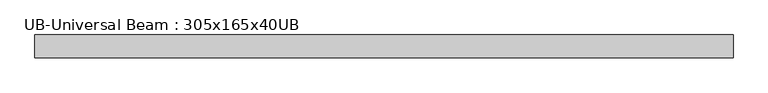
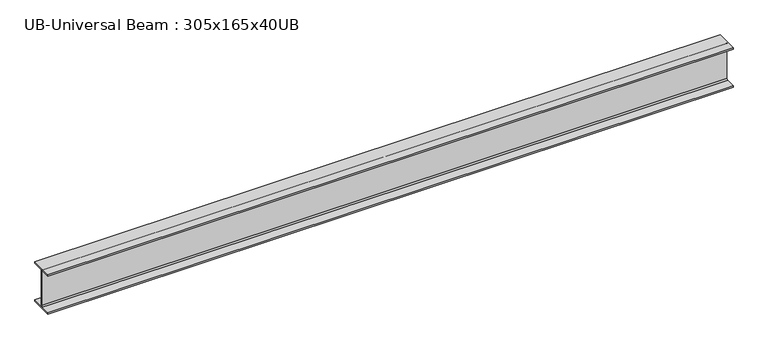
"""IFC4 building model written with IfcOpenShell, lengths in millimetres: beam geometry, UB-Universal Beam : 305x165x40UB."""

from ifc_helpers import new_model, si_unit, point, frame, frame_2d, origin, place, context, project, spatial, polyline, circle_curve, trimmed, segment, composite_curve, outline, extrude, source, transform, mapped, element, save


def ub_universal_beam_305x165x40ub_259e8277(model_context):
    return source(origin(), model_context, "Body", "SweptSolid", [
        extrude(outline(composite_curve([segment(polyline([(82.5, -141.5), (82.5, -151.7), (-82.5, -151.7), (-82.5, -141.5), (-11.9, -141.5)]), True, "CONTINUOUS"), segment(trimmed(circle_curve(frame_2d((-11.9, -132.6)), 8.9), [point((-11.9, -141.5))], [point((-3.0, -132.6))], True, "CARTESIAN"), True, "CONTINUOUS"), segment(polyline([(-3.0, -132.6), (-3.0, 132.6)]), True, "CONTINUOUS"), segment(trimmed(circle_curve(frame_2d((-11.9, 132.6)), 8.9), [point((-3.0, 132.6))], [point((-11.9, 141.5))], True, "CARTESIAN"), True, "CONTINUOUS"), segment(polyline([(-11.9, 141.5), (-82.5, 141.5), (-82.5, 151.7), (82.5, 151.7), (82.5, 141.5), (11.9, 141.5)]), True, "CONTINUOUS"), segment(trimmed(circle_curve(frame_2d((11.9, 132.6)), 8.9), [point((11.9, 141.5))], [point((3.0, 132.6))], True, "CARTESIAN"), True, "CONTINUOUS"), segment(polyline([(3.0, 132.6), (3.0, -132.6)]), True, "CONTINUOUS"), segment(trimmed(circle_curve(frame_2d((11.9, -132.6)), 8.9), [point((3.0, -132.6))], [point((11.9, -141.5))], True, "CARTESIAN"), True, "CONTINUOUS"), segment(polyline([(11.9, -141.5), (82.5, -141.5)]), True, "CONTINUOUS")], self_intersect=False)), frame((-2501.55, 0.0, 0.0), z_axis=(1.0, 0.0, 0.0), x_axis=(0.0, 1.0, 0.0)), (0.0, 0.0, 1.0), 5003.1),
    ])


if __name__ == "__main__":
    model = new_model("IFC4")
    model_context = context("Model", 3, world=origin())
    ifc_project = project(units=[si_unit("LENGTHUNIT", "METRE", prefix="MILLI")], contexts=[model_context])
    site = spatial("IfcSite", under=ifc_project)
    building = spatial("IfcBuilding", under=site)
    placement = place(None, origin())
    ub_universal_beam_305x165x40ub_shape = ub_universal_beam_305x165x40ub_259e8277(model_context)
    element("IfcBeam", 1, ObjectType="UB-Universal Beam : 305x165x40UB", at=placement, inside=building, context=model_context, shape_type="MappedRepresentation", body=[
        mapped(ub_universal_beam_305x165x40ub_shape, transform((0.0, 0.0, 0.0), x_axis=(1.0, 0.0, 0.0), y_axis=(0.0, 1.0, 0.0), z_axis=(0.0, 0.0, 1.0))),
    ])
    save(model, "model.ifc")
